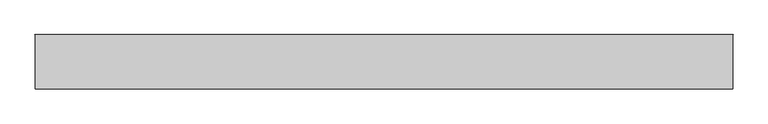
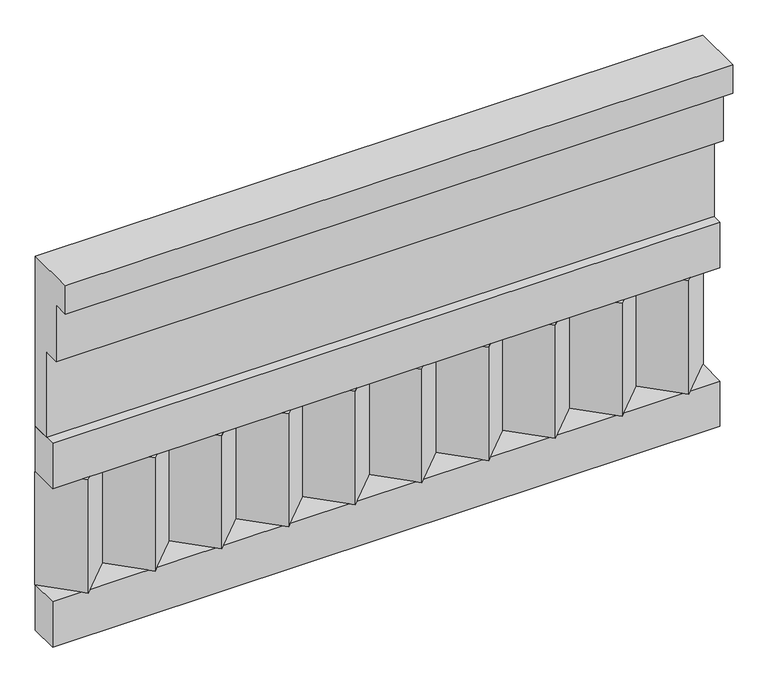
"""IFC4 building model written with IfcOpenShell, lengths in millimetres: railing geometry."""

from ifc_helpers import new_model, si_unit, frame, origin, place, context, project, spatial, polyline, outline, extrude, source, transform, mapped, element, save


def railing_1835e25f(model_context):
    return source(origin(), model_context, "Body", "SweptSolid", [
        extrude(outline(polyline([(-16816.8920513, 17930.0), (-16816.8920513, 17480.0), (-16866.8920513, 17480.0), (-16866.8920513, 17705.0), (-16906.8920513, 17705.0), (-16906.8920513, 17855.0), (-16946.8920513, 17855.0), (-16946.8920513, 17930.0), (-16816.8920513, 17930.0)])), frame((-5539.9887159, 0.0, 0.0), z_axis=(1.0, 0.0, 0.0), x_axis=(0.0, 1.0, 0.0)), (0.0, 0.0, 1.0), 1670.0),
        extrude(outline(polyline([(-5539.9887159, -16891.8920513), (-5539.9887159, -16816.8920513), (-3869.9887159, -16816.8920513), (-3869.9887159, -16891.8920513), (-5539.9887159, -16891.8920513)])), frame((0.0, 0.0, 17360.0), z_axis=(0.0, 0.0, 1.0), x_axis=(1.0, 0.0, 0.0)), (0.0, 0.0, 1.0), 120.0),
        extrude(outline(polyline([(-5539.9887159, -16891.8920513), (-5539.9887159, -16816.8920513), (-3869.9887159, -16816.8920513), (-3869.9887159, -16891.8920513), (-5539.9887159, -16891.8920513)])), frame((0.0, 0.0, 16940.0), z_axis=(0.0, 0.0, 1.0), x_axis=(1.0, 0.0, 0.0)), (0.0, 0.0, 1.0), 120.0),
        extrude(outline(polyline([(-3953.4887159, -16901.7448651), (-4038.3415296, -16816.8920513), (-3868.6359022, -16816.8920513), (-3953.4887159, -16901.7448651)])), frame((0.0, 0.0, 17060.0), z_axis=(0.0, 0.0, 1.0), x_axis=(1.0, 0.0, 0.0)), (0.0, 0.0, 1.0), 300.0),
        extrude(outline(polyline([(-4120.4887159, -16901.7448651), (-4205.3415296, -16816.8920513), (-4035.6359022, -16816.8920513), (-4120.4887159, -16901.7448651)])), frame((0.0, 0.0, 17060.0), z_axis=(0.0, 0.0, 1.0), x_axis=(1.0, 0.0, 0.0)), (0.0, 0.0, 1.0), 300.0),
        extrude(outline(polyline([(-4287.4887159, -16901.7448651), (-4372.3415296, -16816.8920513), (-4202.6359022, -16816.8920513), (-4287.4887159, -16901.7448651)])), frame((0.0, 0.0, 17060.0), z_axis=(0.0, 0.0, 1.0), x_axis=(1.0, 0.0, 0.0)), (0.0, 0.0, 1.0), 300.0),
        extrude(outline(polyline([(-4454.4887159, -16901.7448651), (-4539.3415296, -16816.8920513), (-4369.6359022, -16816.8920513), (-4454.4887159, -16901.7448651)])), frame((0.0, 0.0, 17060.0), z_axis=(0.0, 0.0, 1.0), x_axis=(1.0, 0.0, 0.0)), (0.0, 0.0, 1.0), 300.0),
        extrude(outline(polyline([(-4621.4887159, -16901.7448651), (-4706.3415296, -16816.8920513), (-4536.6359022, -16816.8920513), (-4621.4887159, -16901.7448651)])), frame((0.0, 0.0, 17060.0), z_axis=(0.0, 0.0, 1.0), x_axis=(1.0, 0.0, 0.0)), (0.0, 0.0, 1.0), 300.0),
        extrude(outline(polyline([(-4788.4887159, -16901.7448651), (-4873.3415296, -16816.8920513), (-4703.6359022, -16816.8920513), (-4788.4887159, -16901.7448651)])), frame((0.0, 0.0, 17060.0), z_axis=(0.0, 0.0, 1.0), x_axis=(1.0, 0.0, 0.0)), (0.0, 0.0, 1.0), 300.0),
        extrude(outline(polyline([(-4955.4887159, -16901.7448651), (-5040.3415296, -16816.8920513), (-4870.6359022, -16816.8920513), (-4955.4887159, -16901.7448651)])), frame((0.0, 0.0, 17060.0), z_axis=(0.0, 0.0, 1.0), x_axis=(1.0, 0.0, 0.0)), (0.0, 0.0, 1.0), 300.0),
        extrude(outline(polyline([(-5122.4887159, -16901.7448651), (-5207.3415296, -16816.8920513), (-5037.6359022, -16816.8920513), (-5122.4887159, -16901.7448651)])), frame((0.0, 0.0, 17060.0), z_axis=(0.0, 0.0, 1.0), x_axis=(1.0, 0.0, 0.0)), (0.0, 0.0, 1.0), 300.0),
        extrude(outline(polyline([(-5289.4887159, -16901.7448651), (-5374.3415296, -16816.8920513), (-5204.6359022, -16816.8920513), (-5289.4887159, -16901.7448651)])), frame((0.0, 0.0, 17060.0), z_axis=(0.0, 0.0, 1.0), x_axis=(1.0, 0.0, 0.0)), (0.0, 0.0, 1.0), 300.0),
        extrude(outline(polyline([(-5456.4887159, -16901.7448651), (-5541.3415296, -16816.8920513), (-5371.6359022, -16816.8920513), (-5456.4887159, -16901.7448651)])), frame((0.0, 0.0, 17060.0), z_axis=(0.0, 0.0, 1.0), x_axis=(1.0, 0.0, 0.0)), (0.0, 0.0, 1.0), 300.0),
    ])


if __name__ == "__main__":
    model = new_model("IFC4")
    model_context = context("Model", 3, world=origin())
    ifc_project = project(units=[si_unit("LENGTHUNIT", "METRE", prefix="MILLI")], contexts=[model_context])
    site = spatial("IfcSite", under=ifc_project)
    building = spatial("IfcBuilding", under=site)
    placement = place(None, origin())
    railing_shape = railing_1835e25f(model_context)
    element("IfcRailing", 1, at=placement, inside=building, context=model_context, shape_type="MappedRepresentation", body=[
        mapped(railing_shape, transform((0.0, 0.0, 0.0), x_axis=(1.0, 0.0, 0.0), y_axis=(0.0, 1.0, 0.0), z_axis=(0.0, 0.0, 1.0))),
    ])
    save(model, "model.ifc")
